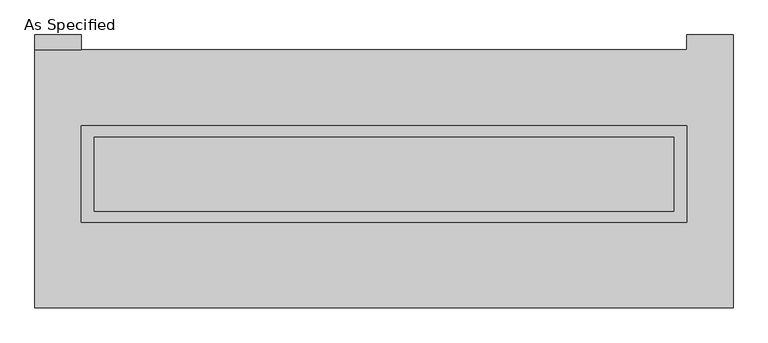
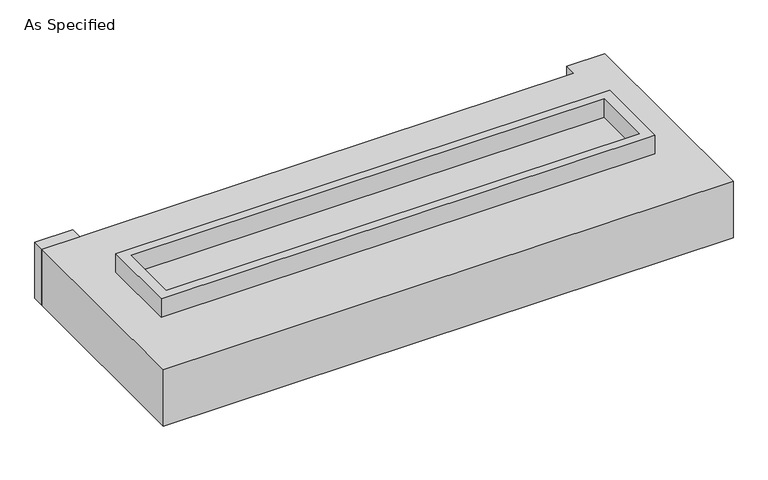
"""IFC4 building model written with IfcOpenShell, lengths in millimetres: proxy geometry, As Specified."""

from ifc_helpers import new_model, si_unit, frame, origin, place, context, project, spatial, polyline, outline, extrude, source, transform, mapped, element, save


def as_specified_de154960(model_context):
    return source(origin(), model_context, "Body", "SweptSolid", [
        extrude(outline(polyline([(2070.1, 361.95), (2070.1, -298.45), (-2070.1, -298.45), (-2070.1, 361.95), (2070.1, 361.95)]), holes=[polyline([(1981.2, 285.75), (-1981.2, 285.75), (-1981.2, -222.25), (1981.2, -222.25), (1981.2, 285.75)])]), frame((0.0, 0.0, -688.975), z_axis=(0.0, 0.0, 1.0), x_axis=(1.0, 0.0, 0.0)), (0.0, 0.0, 1.0), 165.1),
        extrude(outline(polyline([(2070.1, 361.95), (2070.1, -298.45), (-2070.1, -298.45), (-2070.1, 361.95), (2070.1, 361.95)]), holes=[polyline([(1981.2, 285.75), (-1981.2, 285.75), (-1981.2, -222.25), (1981.2, -222.25), (1981.2, 285.75)])]), frame((0.0, 0.0, -25.4), z_axis=(0.0, 0.0, 1.0), x_axis=(1.0, 0.0, 0.0)), (0.0, 0.0, 1.0), 165.1),
        extrude(outline(polyline([(-2070.1, 882.65), (-2387.6, 882.65), (-2387.6, 984.25), (-2070.1, 984.25), (-2070.1, 882.65)])), frame((0.0, 0.0, -523.875), z_axis=(0.0, 0.0, 1.0), x_axis=(1.0, 0.0, 0.0)), (0.0, 0.0, 1.0), 498.475),
        extrude(outline(polyline([(1981.2, 285.75), (1981.2, -222.25), (-1981.2, -222.25), (-1981.2, 285.75), (1981.2, 285.75)])), frame((0.0, 0.0, -523.875), z_axis=(0.0, 0.0, 1.0), x_axis=(1.0, 0.0, 0.0)), (0.0, 0.0, 1.0), 4.9609375),
        extrude(outline(polyline([(1981.2, 285.75), (1981.2, -222.25), (-1981.2, -222.25), (-1981.2, 285.75), (1981.2, 285.75)])), frame((0.0, 0.0, -30.3609375), z_axis=(0.0, 0.0, 1.0), x_axis=(1.0, 0.0, 0.0)), (0.0, 0.0, 1.0), 4.9609375),
        extrude(outline(polyline([(2387.6, -882.65), (-2387.6, -882.65), (-2387.6, 882.65), (2070.1, 882.65), (2070.1, 984.25), (2387.6, 984.25), (2387.6, -882.65)]), holes=[polyline([(-2070.1, 361.95), (-2070.1, -298.45), (2070.1, -298.45), (2070.1, 361.95), (-2070.1, 361.95)])]), frame((0.0, 0.0, -523.875), z_axis=(0.0, 0.0, 1.0), x_axis=(1.0, 0.0, 0.0)), (0.0, 0.0, 1.0), 498.475),
    ])


if __name__ == "__main__":
    model = new_model("IFC4")
    model_context = context("Model", 3, world=origin())
    ifc_project = project(units=[si_unit("LENGTHUNIT", "METRE", prefix="MILLI")], contexts=[model_context])
    site = spatial("IfcSite", under=ifc_project)
    building = spatial("IfcBuilding", under=site)
    placement = place(None, origin())
    as_specified_shape = as_specified_de154960(model_context)
    element("IfcBuildingElementProxy", 1, Name="As Specified", ObjectType="As Specified", at=placement, inside=building, context=model_context, shape_type="MappedRepresentation", body=[
        mapped(as_specified_shape, transform((0.0, 0.0, 0.0), x_axis=(1.0, 0.0, 0.0), y_axis=(0.0, 1.0, 0.0), z_axis=(0.0, 0.0, 1.0))),
    ])
    save(model, "model.ifc")
